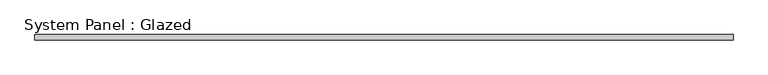
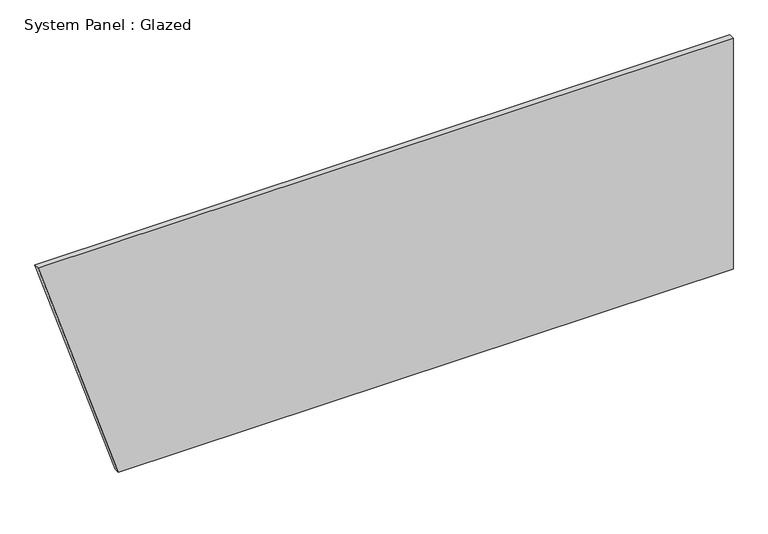
"""IFC4 building model written with IfcOpenShell, lengths in millimetres: plate geometry, System Panel : Glazed."""

from ifc_helpers import new_model, si_unit, frame, origin, place, context, project, spatial, polyline, outline, extrude, source, transform, mapped, element, save


def system_panel_glazed_6be1d5e9(model_context):
    return source(origin(), model_context, "Body", "SweptSolid", [
        extrude(outline(polyline([(0.0, -1228.6714046), (0.0, 1597.1658356), (1123.95, 1597.1658356), (1123.95, -1597.1658356), (0.0, -1228.6714046)])), frame((0.0, -44.45, 0.0), z_axis=(0.0, 1.0, 0.0), x_axis=(0.0, 0.0, 1.0)), (0.0, 0.0, 1.0), 25.4),
    ])


if __name__ == "__main__":
    model = new_model("IFC4")
    model_context = context("Model", 3, world=origin())
    ifc_project = project(units=[si_unit("LENGTHUNIT", "METRE", prefix="MILLI")], contexts=[model_context])
    site = spatial("IfcSite", under=ifc_project)
    building = spatial("IfcBuilding", under=site)
    placement = place(None, origin())
    system_panel_glazed_shape = system_panel_glazed_6be1d5e9(model_context)
    element("IfcPlate", 1, ObjectType="System Panel : Glazed", at=placement, inside=building, context=model_context, shape_type="MappedRepresentation", body=[
        mapped(system_panel_glazed_shape, transform((0.0, 0.0, 0.0), x_axis=(1.0, 0.0, 0.0), y_axis=(0.0, 1.0, 0.0), z_axis=(0.0, 0.0, 1.0))),
    ])
    save(model, "model.ifc")
